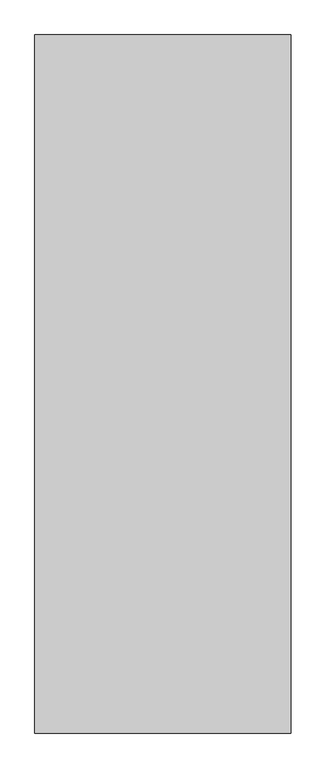
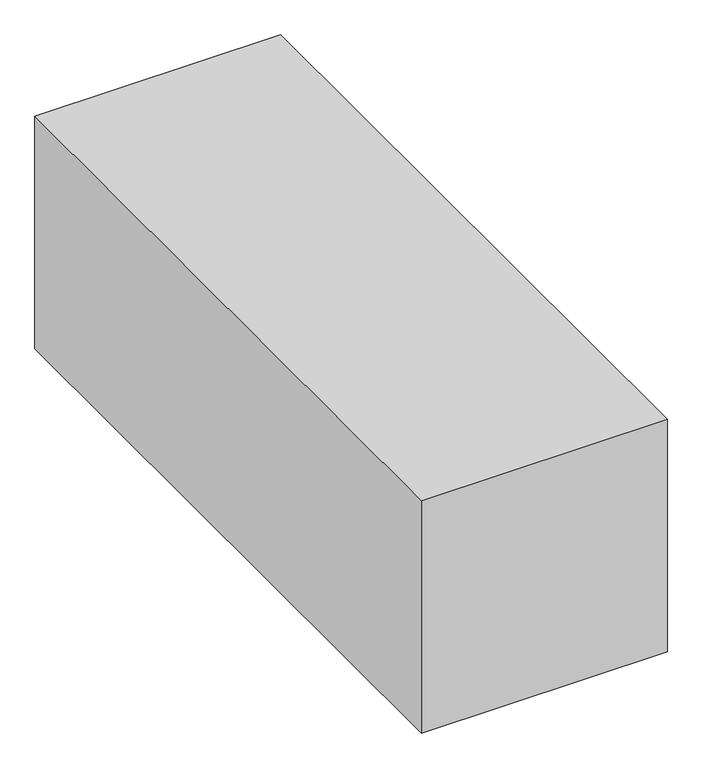
"""IFC4 building model written with IfcOpenShell, lengths in millimetres: proxy geometry."""

from ifc_helpers import new_model, si_unit, frame, origin, place, context, project, spatial, polyline, outline, extrude, source, transform, mapped, element, save


def generic_models_63a2ab75(model_context):
    return source(origin(), model_context, "Body", "SweptSolid", [
        extrude(outline(polyline([(0.0, 0.0), (0.0, 2870.2200832), (1053.3106793, 2870.2200832), (1053.3106793, 0.0), (0.0, 0.0)])), frame((0.0, 0.0, -276.6553396), z_axis=(0.0, 0.0, 1.0), x_axis=(1.0, 0.0, 0.0)), (0.0, 0.0, 1.0), 1053.3106793),
    ])


if __name__ == "__main__":
    model = new_model("IFC4")
    model_context = context("Model", 3, world=origin())
    ifc_project = project(units=[si_unit("LENGTHUNIT", "METRE", prefix="MILLI")], contexts=[model_context])
    site = spatial("IfcSite", under=ifc_project)
    building = spatial("IfcBuilding", under=site)
    placement = place(None, origin())
    generic_models_shape = generic_models_63a2ab75(model_context)
    element("IfcBuildingElementProxy", 1, Name="Generic Models", at=placement, inside=building, context=model_context, shape_type="MappedRepresentation", body=[
        mapped(generic_models_shape, transform((0.0, 0.0, 0.0), x_axis=(1.0, 0.0, 0.0), y_axis=(0.0, 1.0, 0.0), z_axis=(0.0, 0.0, 1.0))),
    ])
    save(model, "model.ifc")
